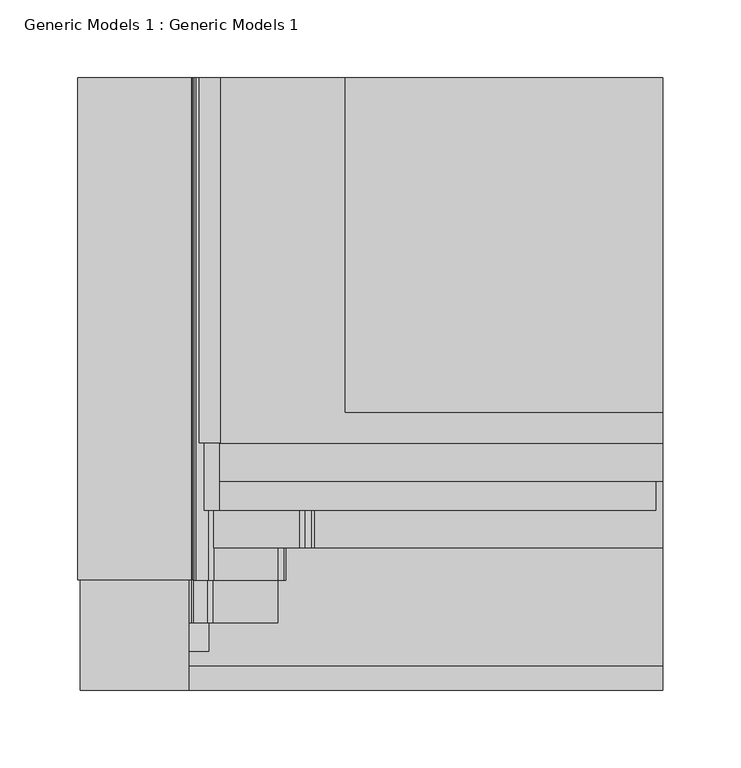
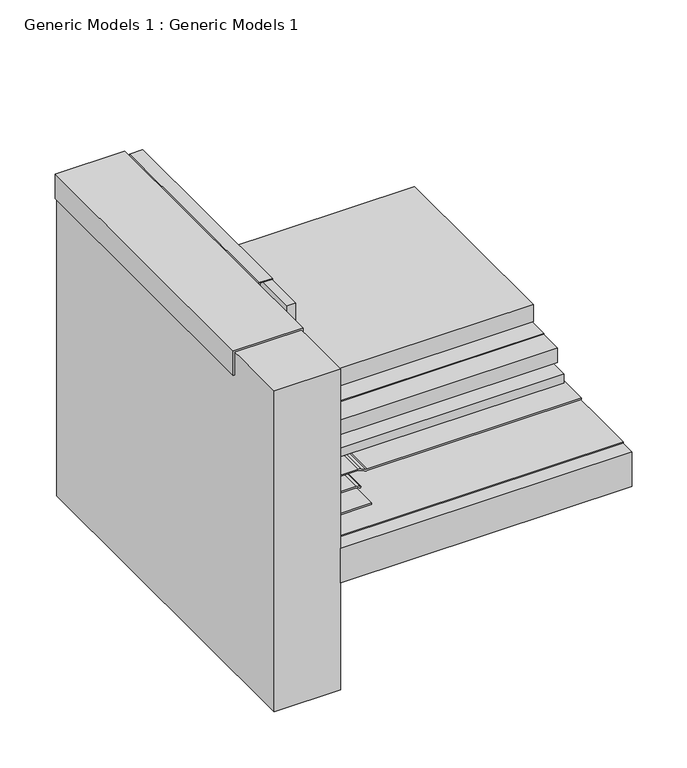
"""IFC4 building model written with IfcOpenShell, lengths in millimetres: proxy geometry, Generic Models 1 : Generic Models 1."""

import ifcopenshell
import ifcopenshell.guid

model = None  # the IFC model being written
_history = None  # IfcOwnerHistory: only IFC2X3 demands one
_inside = {}  # id of a spatial element -> (the spatial element, [elements in it])
_under = {}  # id of a project, library or spatial element -> (it, [spatial elements below it])
_declared = {}  # id of a project -> (the project, [libraries it declares])
_typed = {}  # id of a type object -> (the type object, [elements of that type])
_made_of = {}  # id of a material, layer set ... -> (it, [elements and type objects made of it])


def new_model(schema):
    """Start an empty IFC model of exactly this schema.

    Asked for "IFC4X3", IfcOpenShell would pick the latest addendum, in which some entities
    have other attributes; the version numbers below select the first issue.
    IFC2X3 requires an IfcOwnerHistory on every rooted entity: one is made here for all.
    """
    global model, _history
    if schema == "IFC4X3":
        model = ifcopenshell.file(schema_version=(4, 3, 0, 0))
    else:
        model = ifcopenshell.file(schema=schema)
    _inside.clear()
    _under.clear()
    _declared.clear()
    _typed.clear()
    _made_of.clear()
    _history = None
    if model.schema == "IFC2X3":
        org = make("IfcOrganization", Name="unknown")
        user = make(
            "IfcPersonAndOrganization",
            ThePerson=make("IfcPerson", FamilyName="unknown"),
            TheOrganization=org,
        )
        app = make(
            "IfcApplication",
            ApplicationDeveloper=org,
            Version="unknown",
            ApplicationFullName="unknown",
            ApplicationIdentifier="unknown",
        )
        _history = make(
            "IfcOwnerHistory",
            OwningUser=user,
            OwningApplication=app,
            ChangeAction="ADDED",
            CreationDate=0,
        )
    return model


def make(cls, **values):
    """One entity of the class cls with the attributes given. An attribute that is None is left unset."""
    return model.create_entity(
        cls, **{name: value for name, value in values.items() if value is not None}
    )


def rooted(cls, **values):
    """An entity with a GlobalId (a new one), such as an element, a storey or a relation."""
    return make(cls, GlobalId=ifcopenshell.guid.new(), OwnerHistory=_history, **values)


def si_unit(unit_type, name, prefix=None):
    """IfcSIUnit, for example si_unit("LENGTHUNIT", "METRE", prefix="MILLI")."""
    return make("IfcSIUnit", UnitType=unit_type, Prefix=prefix, Name=name)


def assignment(units):
    """IfcUnitAssignment: the units of a project."""
    return None if units is None else make("IfcUnitAssignment", Units=units)


def point(xyz):
    """IfcCartesianPoint."""
    return None if xyz is None else make("IfcCartesianPoint", Coordinates=xyz)


def direction(xyz):
    """IfcDirection."""
    return None if xyz is None else make("IfcDirection", DirectionRatios=xyz)


def frame(location, z_axis=None, x_axis=None):
    """IfcAxis2Placement3D, a coordinate frame: its origin and axes. An axis left out is left unset."""
    return make(
        "IfcAxis2Placement3D",
        Location=point(location),
        Axis=direction(z_axis),
        RefDirection=direction(x_axis),
    )


def frame_2d(location, x_axis=None):
    """IfcAxis2Placement2D, a coordinate frame in the plane: its origin and x axis."""
    return make(
        "IfcAxis2Placement2D", Location=point(location), RefDirection=direction(x_axis)
    )


def origin():
    """The frame at (0, 0, 0) with its axes left unset."""
    return frame((0.0, 0.0, 0.0))


def place(relative_to, where):
    """IfcLocalPlacement: puts the frame where relative to a parent placement (None: the world)."""
    return make(
        "IfcLocalPlacement", PlacementRelTo=relative_to, RelativePlacement=where
    )


def context(
    kind, dimensions, precision=None, world=None, true_north=None, identifier=None
):
    """IfcGeometricRepresentationContext, for example the 3D "Model" context."""
    return make(
        "IfcGeometricRepresentationContext",
        ContextIdentifier=identifier,
        ContextType=kind,
        CoordinateSpaceDimension=dimensions,
        Precision=precision,
        WorldCoordinateSystem=world,
        TrueNorth=true_north,
    )


def project(units=None, contexts=None):
    """IfcProject with its units and contexts."""
    return rooted(
        "IfcProject",
        Name="project",
        RepresentationContexts=contexts,
        UnitsInContext=assignment(units),
    )


def spatial(cls, under=None, at=None, **own):
    """A site, building, storey or space (cls), placed at a placement, below another one or the project."""
    s = rooted(cls, ObjectPlacement=at, **own)
    if under is not None:
        _under.setdefault(under.id(), (under, []))[1].append(s)
    return s


def polyline(points):
    """IfcPolyline through the points."""
    return make("IfcPolyline", Points=[point(p) for p in points])


def circle_curve(where, radius):
    """IfcCircle in the frame where."""
    return make("IfcCircle", Position=where, Radius=radius)


def trimmed(basis, trim1, trim2, sense, master):
    """IfcTrimmedCurve: the piece of a basis curve between two trims."""
    return make(
        "IfcTrimmedCurve",
        BasisCurve=basis,
        Trim1=trim1,
        Trim2=trim2,
        SenseAgreement=sense,
        MasterRepresentation=master,
    )


def segment(curve, same_sense, transition):
    """IfcCompositeCurveSegment."""
    return make(
        "IfcCompositeCurveSegment",
        Transition=transition,
        SameSense=same_sense,
        ParentCurve=curve,
    )


def composite_curve(segments, self_intersect=None):
    """IfcCompositeCurve: segments joined end to end."""
    return make("IfcCompositeCurve", Segments=segments, SelfIntersect=self_intersect)


def outline(outer, holes=None, kind="AREA"):
    """IfcArbitraryClosedProfileDef: a profile drawn as a closed curve; with holes, ...WithVoids."""
    if holes is None:
        return make("IfcArbitraryClosedProfileDef", ProfileType=kind, OuterCurve=outer)
    return make(
        "IfcArbitraryProfileDefWithVoids",
        ProfileType=kind,
        OuterCurve=outer,
        InnerCurves=holes,
    )


def extrude(swept, where, along, depth):
    """IfcExtrudedAreaSolid: the profile swept, set in the frame where, extruded along a direction by depth."""
    return make(
        "IfcExtrudedAreaSolid",
        SweptArea=swept,
        Position=where,
        ExtrudedDirection=direction(along),
        Depth=depth,
    )


def shape(context_of_items, identifier, shape_type, items):
    """IfcShapeRepresentation: the items that make up one representation, for example the "Body"."""
    return make(
        "IfcShapeRepresentation",
        ContextOfItems=context_of_items,
        RepresentationIdentifier=identifier,
        RepresentationType=shape_type,
        Items=items,
    )


def source(mapping_origin, context_of_items, identifier, shape_type, items):
    """IfcRepresentationMap: a shape defined once, which mapped items show again and again."""
    return make(
        "IfcRepresentationMap",
        MappingOrigin=mapping_origin,
        MappedRepresentation=shape(context_of_items, identifier, shape_type, items),
    )


def transform(
    local_origin,
    x_axis=None,
    y_axis=None,
    z_axis=None,
    scale=None,
    scale2=None,
    scale3=None,
    uniform=True,
):
    """IfcCartesianTransformationOperator3D, or its non-uniform kind. x_axis, y_axis, z_axis: its Axis1, 2, 3."""
    if uniform:
        return make(
            "IfcCartesianTransformationOperator3D",
            Axis1=direction(x_axis),
            Axis2=direction(y_axis),
            LocalOrigin=point(local_origin),
            Scale=scale,
            Axis3=direction(z_axis),
        )
    return make(
        "IfcCartesianTransformationOperator3DnonUniform",
        Axis1=direction(x_axis),
        Axis2=direction(y_axis),
        LocalOrigin=point(local_origin),
        Scale=scale,
        Axis3=direction(z_axis),
        Scale2=scale2,
        Scale3=scale3,
    )


def mapped(mapping_source, mapping_target):
    """IfcMappedItem: shows the shape of a source again, moved by a transform."""
    return make(
        "IfcMappedItem", MappingSource=mapping_source, MappingTarget=mapping_target
    )


def made_of(thing, what):
    """Note that an element or type object is made of a material, layer set ...; save() writes the relation."""
    if what is not None:
        _made_of.setdefault(what.id(), (what, []))[1].append(thing)
    return thing


def element(
    cls,
    number,
    at=None,
    inside=None,
    cuts=None,
    type_object=None,
    material=None,
    context=None,
    identifier="Body",
    shape_type=None,
    held_by="IfcProductDefinitionShape",
    body=None,
    shapes=None,
    **own,
):
    """One element of the class cls, such as IfcWall. Its Tag is "e" and its number.

    at: its placement. inside: the storey or other place that contains it. cuts: it is an
    opening in that element (IfcRelVoidsElement). A single representation is given by context,
    identifier, shape_type and body (its items); several are given by shapes. held_by: the class
    of the entity that holds the representations. save() writes the other relations.
    """
    e = rooted(cls, Tag="e%d" % number, ObjectPlacement=at, **own)
    if body is not None:
        shapes = [shape(context, identifier, shape_type, body)]
    if shapes is not None:
        e.Representation = make(held_by, Representations=shapes)
    if inside is not None:
        _inside.setdefault(inside.id(), (inside, []))[1].append(e)
    if cuts is not None:
        rooted(
            "IfcRelVoidsElement", RelatingBuildingElement=cuts, RelatedOpeningElement=e
        )
    if type_object is not None:
        _typed.setdefault(type_object.id(), (type_object, []))[1].append(e)
    return made_of(e, material)


def aggregate(whole, parts):
    """IfcRelAggregates: a whole, such as a stair, and the parts it consists of."""
    return rooted("IfcRelAggregates", RelatingObject=whole, RelatedObjects=parts)


def save(model, path):
    """Write the relations noted so far, then the file.

    IfcRelAggregates (storeys below a building ...), IfcRelContainedInSpatialStructure (elements
    in a storey), IfcRelDefinesByType, IfcRelAssociatesMaterial and IfcRelDeclares: one each for
    every whole, place, type object, material and project.
    """
    for whole, parts in _under.values():
        aggregate(whole, parts)
    for where, things in _inside.values():
        rooted(
            "IfcRelContainedInSpatialStructure",
            RelatedElements=things,
            RelatingStructure=where,
        )
    for kind, things in _typed.values():
        rooted("IfcRelDefinesByType", RelatedObjects=things, RelatingType=kind)
    for what, things in _made_of.values():
        rooted("IfcRelAssociatesMaterial", RelatedObjects=things, RelatingMaterial=what)
    for by, libraries in _declared.values():
        rooted("IfcRelDeclares", RelatingContext=by, RelatedDefinitions=libraries)
    model.write(path)


def generic_models_1_generic_models_1_acc1cfb5(model_context):
    return source(origin(), model_context, "Body", "SweptSolid", [
        extrude(outline(polyline([(383.38125, 102.9034452), (383.38125, 89.2387291), (352.2352203, 89.2387291), (352.2352203, 90.0324791), (382.5875, 90.0324791), (382.5875, 102.1096952), (223.04375, 102.1096952), (223.04375, 102.9034452), (383.38125, 102.9034452)])), frame((0.0, 158.9737037, 0.0), z_axis=(0.0, 1.0, 0.0), x_axis=(0.0, 0.0, 1.0)), (0.0, 0.0, 1.0), 234.8732352),
        extrude(outline(polyline([(102.1096952, 393.8469389), (387.35, 393.8469389), (387.35, 158.9737037), (102.1096952, 158.9737037), (102.1096952, 393.8469389)])), frame((0.0, 0.0, 222.25), z_axis=(0.0, 0.0, 1.0), x_axis=(1.0, 0.0, 0.0)), (0.0, 0.0, 1.0), 0.79375),
        extrude(outline(polyline([(92.5846952, 393.8469389), (102.1096952, 393.8469389), (102.1096952, 115.763559), (92.5846952, 115.763559), (92.5846952, 393.8469389)])), frame((0.0, 0.0, 205.58125), z_axis=(0.0, 0.0, 1.0), x_axis=(1.0, 0.0, 0.0)), (0.0, 0.0, 1.0), 177.00625),
        extrude(outline(polyline([(183.0323569, 393.8469389), (387.35, 393.8469389), (387.35, 178.7737019), (183.0323569, 178.7737019), (183.0323569, 393.8469389)])), frame((0.0, 0.0, 224.0359375), z_axis=(0.0, 0.0, 1.0), x_axis=(1.0, 0.0, 0.0)), (0.0, 0.0, 1.0), 19.05),
        extrude(outline(polyline([(102.1096952, 393.8469389), (387.35, 393.8469389), (387.35, 134.5156641), (102.1096952, 134.5156641), (102.1096952, 393.8469389)])), frame((0.0, 0.0, 205.58125), z_axis=(0.0, 0.0, 1.0), x_axis=(1.0, 0.0, 0.0)), (0.0, 0.0, 1.0), 15.875),
        extrude(outline(polyline([(94.1721952, 393.8469389), (382.984375, 393.8469389), (382.984375, 115.763559), (94.1721952, 115.763559), (94.1721952, 393.8469389)])), frame((0.0, 0.0, 196.05625), z_axis=(0.0, 0.0, 1.0), x_axis=(1.0, 0.0, 0.0)), (0.0, 0.0, 1.0), 9.525),
        extrude(outline(polyline([(82.55, 261.3017557), (387.35, 261.3017557), (387.35, 0.0), (82.55, 0.0), (82.55, 261.3017557)])), frame((0.0, 0.0, 150.01875), z_axis=(0.0, 0.0, 1.0), x_axis=(1.0, 0.0, 0.0)), (0.0, 0.0, 1.0), 38.1),
        extrude(outline(polyline([(82.55, 393.8469389), (387.35, 393.8469389), (387.35, 15.5979464), (82.55, 15.5979464), (82.55, 393.8469389)])), frame((0.0, 0.0, 188.9125), z_axis=(0.0, 0.0, 1.0), x_axis=(1.0, 0.0, 0.0)), (0.0, 0.0, 1.0), 0.79375),
        extrude(outline(composite_curve([segment(trimmed(circle_curve(frame_2d((187.325, 153.7084294)), 6.35), [point((193.675, 153.7084294))], [point((193.0800544, 156.3920554))], True, "CARTESIAN"), True, "CONTINUOUS"), segment(polyline([(193.0800544, 156.3920554), (191.0949456, 160.6491351)]), True, "CONTINUOUS"), segment(trimmed(circle_curve(frame_2d((196.85, 163.3327611)), 6.35), [point((191.0949456, 160.6491351))], [point((190.5, 163.3327611))], False, "CARTESIAN"), True, "CONTINUOUS"), segment(polyline([(190.5, 163.3327611), (190.5, 387.35), (192.0875, 387.35), (192.0875, 163.3327611)]), True, "CONTINUOUS"), segment(trimmed(circle_curve(frame_2d((196.85, 163.3327611)), 4.7625), [point((192.0875, 163.3327611))], [point((192.5337092, 161.3200416))], True, "CARTESIAN"), True, "CONTINUOUS"), segment(polyline([(192.5337092, 161.3200416), (194.5188181, 157.0629619)]), True, "CONTINUOUS"), segment(trimmed(circle_curve(frame_2d((187.325, 153.7084294)), 7.9375), [point((194.5188181, 157.0629619))], [point((195.2625, 153.7084294))], False, "CARTESIAN"), True, "CONTINUOUS"), segment(polyline([(195.2625, 153.7084294), (195.2625, 98.5378202), (193.675, 98.5378202), (193.675, 153.7084294)]), True, "CONTINUOUS")], self_intersect=False)), frame((0.0, 91.6841805, 0.0), z_axis=(0.0, 1.0, 0.0), x_axis=(0.0, 0.0, 1.0)), (0.0, 0.0, 1.0), 302.1627585),
        extrude(outline(composite_curve([segment(polyline([(386.9373414, 82.55), (236.8806049, 82.55)]), True, "CONTINUOUS"), segment(trimmed(circle_curve(frame_2d((236.8806049, 88.9)), 6.35), [point((236.8806049, 82.55))], [point((233.8064244, 83.34375))], False, "CARTESIAN"), True, "CONTINUOUS"), segment(trimmed(circle_curve(frame_2d((230.7322439, 77.7875)), 6.35), [point((233.8064244, 83.34375))], [point((230.7322439, 84.1375))], True, "CARTESIAN"), True, "CONTINUOUS"), segment(polyline([(230.7322439, 84.1375), (206.4878202, 84.1375)]), True, "CONTINUOUS"), segment(trimmed(circle_curve(frame_2d((206.4878202, 90.4875)), 6.35), [point((206.4878202, 84.1375))], [point((201.9976921, 85.9973719))], False, "CARTESIAN"), True, "CONTINUOUS"), segment(polyline([(201.9976921, 85.9973719), (193.9473719, 94.0476921)]), True, "CONTINUOUS"), segment(trimmed(circle_curve(frame_2d((198.4375, 98.5378202)), 6.35), [point((193.9473719, 94.0476921))], [point((192.0875, 98.5378202))], False, "CARTESIAN"), True, "CONTINUOUS"), segment(polyline([(192.0875, 98.5378202), (192.0875, 139.6852414)]), True, "CONTINUOUS"), segment(trimmed(circle_curve(frame_2d((185.7375, 139.6852414)), 6.35), [point((192.0875, 139.6852414))], [point((191.2367613, 142.8602414))], True, "CARTESIAN"), True, "CONTINUOUS"), segment(polyline([(191.2367613, 142.8602414), (190.5, 144.1363494), (191.8748153, 144.9300994), (192.6115766, 143.6539914)]), True, "CONTINUOUS"), segment(trimmed(circle_curve(frame_2d((185.7375, 139.6852414)), 7.9375), [point((192.6115766, 143.6539914))], [point((193.675, 139.6852414))], False, "CARTESIAN"), True, "CONTINUOUS"), segment(polyline([(193.675, 139.6852414), (193.675, 98.5378202)]), True, "CONTINUOUS"), segment(trimmed(circle_curve(frame_2d((198.4375, 98.5378202)), 4.7625), [point((193.675, 98.5378202))], [point((195.069904, 95.1702241))], True, "CARTESIAN"), True, "CONTINUOUS"), segment(polyline([(195.069904, 95.1702241), (203.1202241, 87.119904)]), True, "CONTINUOUS"), segment(trimmed(circle_curve(frame_2d((206.4878202, 90.4875)), 4.7625), [point((203.1202241, 87.119904))], [point((206.4878202, 85.725))], True, "CARTESIAN"), True, "CONTINUOUS"), segment(polyline([(206.4878202, 85.725), (230.7322439, 85.725)]), True, "CONTINUOUS"), segment(trimmed(circle_curve(frame_2d((230.7322439, 77.7875)), 7.9375), [point((230.7322439, 85.725))], [point((234.5749695, 84.7328125))], False, "CARTESIAN"), True, "CONTINUOUS"), segment(trimmed(circle_curve(frame_2d((236.8806049, 88.9)), 4.7625), [point((234.5749695, 84.7328125))], [point((236.8806049, 84.1375))], True, "CARTESIAN"), True, "CONTINUOUS"), segment(polyline([(236.8806049, 84.1375), (388.5248414, 84.1375), (388.5248414, 11.1125), (361.5373414, 11.1125), (361.5373414, 12.7), (386.9373414, 12.7), (386.9373414, 82.55)]), True, "CONTINUOUS")], self_intersect=False)), frame((0.0, 70.8716657, 0.0), z_axis=(0.0, 1.0, 0.0), x_axis=(0.0, 0.0, 1.0)), (0.0, 0.0, 1.0), 322.9752733),
        extrude(outline(composite_curve([segment(trimmed(circle_curve(frame_2d((205.8302561, 88.9)), 6.35), [point((205.8302561, 82.55))], [point((201.3401281, 84.4098719))], False, "CARTESIAN"), True, "CONTINUOUS"), segment(polyline([(201.3401281, 84.4098719), (192.3598719, 93.3901281)]), True, "CONTINUOUS"), segment(trimmed(circle_curve(frame_2d((196.85, 97.8802561)), 6.35), [point((192.3598719, 93.3901281))], [point((190.5, 97.8802561))], False, "CARTESIAN"), True, "CONTINUOUS"), segment(polyline([(190.5, 97.8802561), (190.5, 139.7), (192.0875, 139.7), (192.0875, 97.8802561)]), True, "CONTINUOUS"), segment(trimmed(circle_curve(frame_2d((196.85, 97.8802561)), 4.7625), [point((192.0875, 97.8802561))], [point((193.482404, 94.5126601))], True, "CARTESIAN"), True, "CONTINUOUS"), segment(polyline([(193.482404, 94.5126601), (202.4626601, 85.532404)]), True, "CONTINUOUS"), segment(trimmed(circle_curve(frame_2d((205.8302561, 88.9)), 4.7625), [point((202.4626601, 85.532404))], [point((205.8302561, 84.1375))], True, "CARTESIAN"), True, "CONTINUOUS"), segment(polyline([(205.8302561, 84.1375), (228.6, 84.1375), (228.6, 82.55), (205.8302561, 82.55)]), True, "CONTINUOUS")], self_intersect=False)), frame((0.0, 43.3354428, 0.0), z_axis=(0.0, 1.0, 0.0), x_axis=(0.0, 0.0, 1.0)), (0.0, 0.0, 1.0), 350.5114961),
        extrude(outline(polyline([(203.2, 82.55), (190.5, 82.55), (190.5, 95.25), (203.2, 82.55)])), frame((0.0, 24.9351541, 0.0), z_axis=(0.0, 1.0, 0.0), x_axis=(0.0, 0.0, 1.0)), (0.0, 0.0, 1.0), 368.9117848),
        extrude(outline(polyline([(82.55, 0.0), (12.7, 0.0), (12.7, 393.8469389), (82.55, 393.8469389), (82.55, 0.0)])), frame((0.0, 0.0, 31.75), z_axis=(0.0, 0.0, 1.0), x_axis=(1.0, 0.0, 0.0)), (0.0, 0.0, 1.0), 355.1873414),
    ])


if __name__ == "__main__":
    model = new_model("IFC4")
    model_context = context("Model", 3, world=origin())
    ifc_project = project(units=[si_unit("LENGTHUNIT", "METRE", prefix="MILLI")], contexts=[model_context])
    site = spatial("IfcSite", under=ifc_project)
    building = spatial("IfcBuilding", under=site)
    placement = place(None, origin())
    generic_models_1_generic_models_1_shape = generic_models_1_generic_models_1_acc1cfb5(model_context)
    element("IfcBuildingElementProxy", 1, Name="Generic Models 1 : Generic Models 1", ObjectType="Generic Models 1 : Generic Models 1", at=placement, inside=building, context=model_context, shape_type="MappedRepresentation", body=[
        mapped(generic_models_1_generic_models_1_shape, transform((0.0, 0.0, 0.0), x_axis=(1.0, 0.0, 0.0), y_axis=(0.0, 1.0, 0.0), z_axis=(0.0, 0.0, 1.0))),
    ])
    save(model, "model.ifc")
